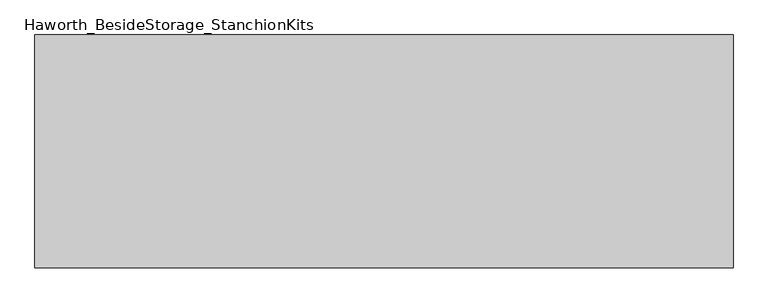
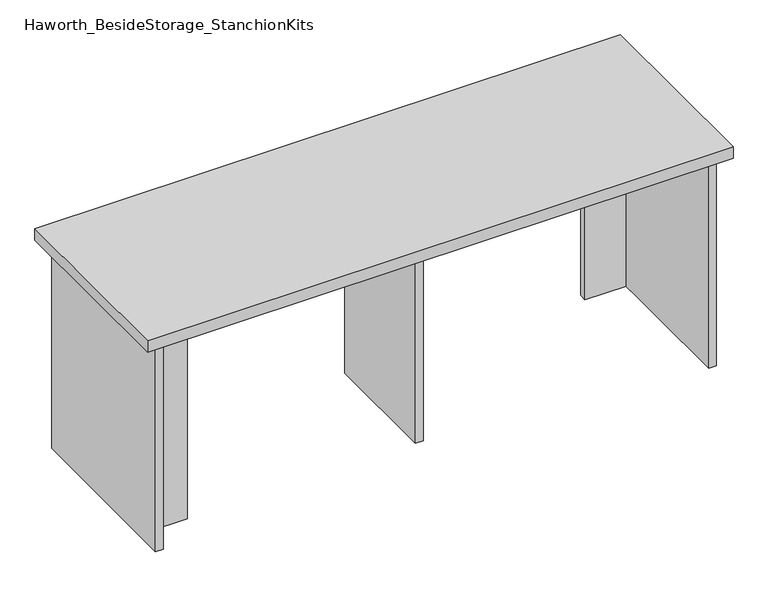
"""IFC4 building model written with IfcOpenShell, lengths in millimetres: furniture geometry, Haworth_BesideStorage_StanchionKits."""

from ifc_helpers import new_model, si_unit, frame, origin, place, context, project, spatial, polyline, outline, extrude, source, transform, mapped, element, save


def haworth_besidestorage_stanchionkits_eb0e526c(model_context):
    return source(origin(), model_context, "Body", "SweptSolid", [
        extrude(outline(polyline([(771.525, 0.0), (771.525, -406.4), (-447.675, -406.4), (-447.675, 0.0), (771.525, 0.0)])), frame((0.0, 0.0, 889.0), z_axis=(0.0, 0.0, 1.0), x_axis=(1.0, 0.0, 0.0)), (0.0, 0.0, 1.0), 25.4),
        extrude(outline(polyline([(644.525, -76.2), (730.25, -76.2), (730.25, -92.075), (644.525, -92.075), (644.525, -76.2)])), frame((0.0, 0.0, 431.8), z_axis=(0.0, 0.0, 1.0), x_axis=(1.0, 0.0, 0.0)), (0.0, 0.0, 1.0), 457.2),
        extrude(outline(polyline([(-320.675, -314.325), (-320.675, -330.2), (-406.4, -330.2), (-406.4, -314.325), (-320.675, -314.325)])), frame((0.0, 0.0, 431.8), z_axis=(0.0, 0.0, 1.0), x_axis=(1.0, 0.0, 0.0)), (0.0, 0.0, 1.0), 457.2),
        extrude(outline(polyline([(169.8625, -330.2), (153.9875, -330.2), (153.9875, -76.2), (169.8625, -76.2), (169.8625, -330.2)])), frame((0.0, 0.0, 431.8), z_axis=(0.0, 0.0, 1.0), x_axis=(1.0, 0.0, 0.0)), (0.0, 0.0, 1.0), 457.2),
        extrude(outline(polyline([(746.125, -390.525), (730.25, -390.525), (730.25, -15.875), (746.125, -15.875), (746.125, -390.525)])), frame((0.0, 0.0, 431.8), z_axis=(0.0, 0.0, 1.0), x_axis=(1.0, 0.0, 0.0)), (0.0, 0.0, 1.0), 457.2),
        extrude(outline(polyline([(-406.4, -390.525), (-422.275, -390.525), (-422.275, -15.875), (-406.4, -15.875), (-406.4, -390.525)])), frame((0.0, 0.0, 431.8), z_axis=(0.0, 0.0, 1.0), x_axis=(1.0, 0.0, 0.0)), (0.0, 0.0, 1.0), 457.2),
    ])


if __name__ == "__main__":
    model = new_model("IFC4")
    model_context = context("Model", 3, world=origin())
    ifc_project = project(units=[si_unit("LENGTHUNIT", "METRE", prefix="MILLI")], contexts=[model_context])
    site = spatial("IfcSite", under=ifc_project)
    building = spatial("IfcBuilding", under=site)
    placement = place(None, origin())
    haworth_besidestorage_stanchionkits_shape = haworth_besidestorage_stanchionkits_eb0e526c(model_context)
    element("IfcFurniture", 1, ObjectType="Haworth_BesideStorage_StanchionKits", at=placement, inside=building, context=model_context, shape_type="MappedRepresentation", body=[
        mapped(haworth_besidestorage_stanchionkits_shape, transform((0.0, 0.0, 0.0), x_axis=(1.0, 0.0, 0.0), y_axis=(0.0, 1.0, 0.0), z_axis=(0.0, 0.0, 1.0))),
    ])
    save(model, "model.ifc")
